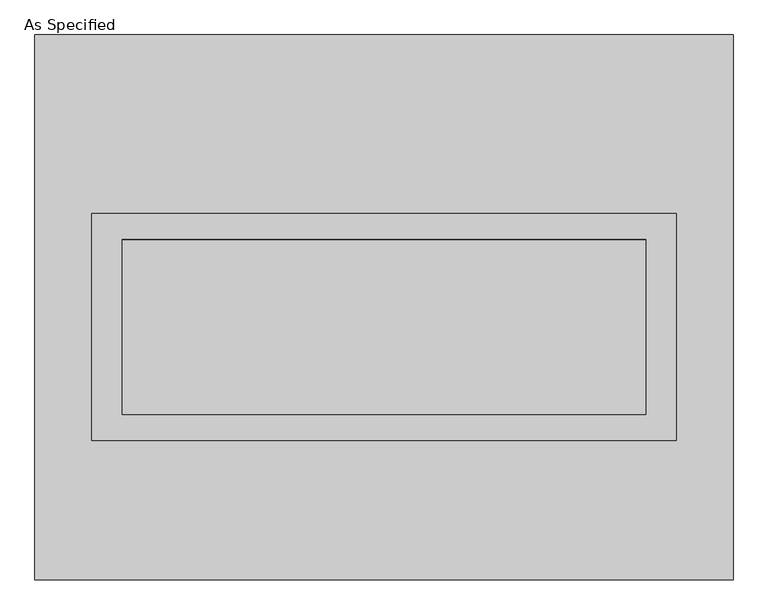
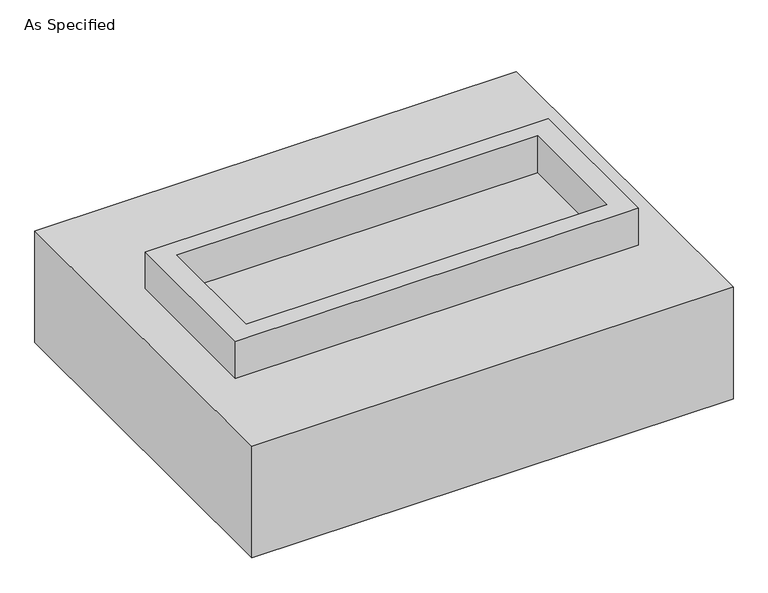
"""IFC4 building model written with IfcOpenShell, lengths in millimetres: proxy geometry, As Specified."""

import ifcopenshell
import ifcopenshell.guid

model = None  # the IFC model being written
_history = None  # IfcOwnerHistory: only IFC2X3 demands one
_inside = {}  # id of a spatial element -> (the spatial element, [elements in it])
_under = {}  # id of a project, library or spatial element -> (it, [spatial elements below it])
_declared = {}  # id of a project -> (the project, [libraries it declares])
_typed = {}  # id of a type object -> (the type object, [elements of that type])
_made_of = {}  # id of a material, layer set ... -> (it, [elements and type objects made of it])


def new_model(schema):
    """Start an empty IFC model of exactly this schema.

    Asked for "IFC4X3", IfcOpenShell would pick the latest addendum, in which some entities
    have other attributes; the version numbers below select the first issue.
    IFC2X3 requires an IfcOwnerHistory on every rooted entity: one is made here for all.
    """
    global model, _history
    if schema == "IFC4X3":
        model = ifcopenshell.file(schema_version=(4, 3, 0, 0))
    else:
        model = ifcopenshell.file(schema=schema)
    _inside.clear()
    _under.clear()
    _declared.clear()
    _typed.clear()
    _made_of.clear()
    _history = None
    if model.schema == "IFC2X3":
        org = make("IfcOrganization", Name="unknown")
        user = make(
            "IfcPersonAndOrganization",
            ThePerson=make("IfcPerson", FamilyName="unknown"),
            TheOrganization=org,
        )
        app = make(
            "IfcApplication",
            ApplicationDeveloper=org,
            Version="unknown",
            ApplicationFullName="unknown",
            ApplicationIdentifier="unknown",
        )
        _history = make(
            "IfcOwnerHistory",
            OwningUser=user,
            OwningApplication=app,
            ChangeAction="ADDED",
            CreationDate=0,
        )
    return model


def make(cls, **values):
    """One entity of the class cls with the attributes given. An attribute that is None is left unset."""
    return model.create_entity(
        cls, **{name: value for name, value in values.items() if value is not None}
    )


def rooted(cls, **values):
    """An entity with a GlobalId (a new one), such as an element, a storey or a relation."""
    return make(cls, GlobalId=ifcopenshell.guid.new(), OwnerHistory=_history, **values)


def si_unit(unit_type, name, prefix=None):
    """IfcSIUnit, for example si_unit("LENGTHUNIT", "METRE", prefix="MILLI")."""
    return make("IfcSIUnit", UnitType=unit_type, Prefix=prefix, Name=name)


def assignment(units):
    """IfcUnitAssignment: the units of a project."""
    return None if units is None else make("IfcUnitAssignment", Units=units)


def point(xyz):
    """IfcCartesianPoint."""
    return None if xyz is None else make("IfcCartesianPoint", Coordinates=xyz)


def direction(xyz):
    """IfcDirection."""
    return None if xyz is None else make("IfcDirection", DirectionRatios=xyz)


def frame(location, z_axis=None, x_axis=None):
    """IfcAxis2Placement3D, a coordinate frame: its origin and axes. An axis left out is left unset."""
    return make(
        "IfcAxis2Placement3D",
        Location=point(location),
        Axis=direction(z_axis),
        RefDirection=direction(x_axis),
    )


def origin():
    """The frame at (0, 0, 0) with its axes left unset."""
    return frame((0.0, 0.0, 0.0))


def place(relative_to, where):
    """IfcLocalPlacement: puts the frame where relative to a parent placement (None: the world)."""
    return make(
        "IfcLocalPlacement", PlacementRelTo=relative_to, RelativePlacement=where
    )


def context(
    kind, dimensions, precision=None, world=None, true_north=None, identifier=None
):
    """IfcGeometricRepresentationContext, for example the 3D "Model" context."""
    return make(
        "IfcGeometricRepresentationContext",
        ContextIdentifier=identifier,
        ContextType=kind,
        CoordinateSpaceDimension=dimensions,
        Precision=precision,
        WorldCoordinateSystem=world,
        TrueNorth=true_north,
    )


def project(units=None, contexts=None):
    """IfcProject with its units and contexts."""
    return rooted(
        "IfcProject",
        Name="project",
        RepresentationContexts=contexts,
        UnitsInContext=assignment(units),
    )


def spatial(cls, under=None, at=None, **own):
    """A site, building, storey or space (cls), placed at a placement, below another one or the project."""
    s = rooted(cls, ObjectPlacement=at, **own)
    if under is not None:
        _under.setdefault(under.id(), (under, []))[1].append(s)
    return s


def polyline(points):
    """IfcPolyline through the points."""
    return make("IfcPolyline", Points=[point(p) for p in points])


def outline(outer, holes=None, kind="AREA"):
    """IfcArbitraryClosedProfileDef: a profile drawn as a closed curve; with holes, ...WithVoids."""
    if holes is None:
        return make("IfcArbitraryClosedProfileDef", ProfileType=kind, OuterCurve=outer)
    return make(
        "IfcArbitraryProfileDefWithVoids",
        ProfileType=kind,
        OuterCurve=outer,
        InnerCurves=holes,
    )


def extrude(swept, where, along, depth):
    """IfcExtrudedAreaSolid: the profile swept, set in the frame where, extruded along a direction by depth."""
    return make(
        "IfcExtrudedAreaSolid",
        SweptArea=swept,
        Position=where,
        ExtrudedDirection=direction(along),
        Depth=depth,
    )


def faces_of(points, faces, orient=None, outer=None):
    """IfcFace entities. A face is a list of loops; a loop is a list of indices into points, from 0.

    orient and outer hold one flag for each loop. By default every Orientation is true, the
    first loop of a face is its IfcFaceOuterBound and the others are IfcFaceBound.
    """
    made = []
    for i, loops in enumerate(faces):
        bounds = []
        for j, loop in enumerate(loops):
            is_outer = j == 0 if outer is None else outer[i][j]
            bounds.append(
                make(
                    "IfcFaceOuterBound" if is_outer else "IfcFaceBound",
                    Bound=make("IfcPolyLoop", Polygon=[points[k] for k in loop]),
                    Orientation=True if orient is None else orient[i][j],
                )
            )
        made.append(make("IfcFace", Bounds=bounds))
    return made


def faceted_brep(points, faces, orient=None, outer=None, voids=None):
    """IfcFacetedBrep: a solid bounded by flat faces; with voids (closed shells), ...WithVoids."""
    shared = [point(p) for p in points]
    hull = make("IfcClosedShell", CfsFaces=faces_of(shared, faces, orient, outer))
    if voids is None:
        return make("IfcFacetedBrep", Outer=hull)
    return make(
        "IfcFacetedBrepWithVoids",
        Outer=hull,
        Voids=[
            make(cls, CfsFaces=faces_of(shared, fs, o, b)) for cls, fs, o, b in voids
        ],
    )


def shape(context_of_items, identifier, shape_type, items):
    """IfcShapeRepresentation: the items that make up one representation, for example the "Body"."""
    return make(
        "IfcShapeRepresentation",
        ContextOfItems=context_of_items,
        RepresentationIdentifier=identifier,
        RepresentationType=shape_type,
        Items=items,
    )


def source(mapping_origin, context_of_items, identifier, shape_type, items):
    """IfcRepresentationMap: a shape defined once, which mapped items show again and again."""
    return make(
        "IfcRepresentationMap",
        MappingOrigin=mapping_origin,
        MappedRepresentation=shape(context_of_items, identifier, shape_type, items),
    )


def transform(
    local_origin,
    x_axis=None,
    y_axis=None,
    z_axis=None,
    scale=None,
    scale2=None,
    scale3=None,
    uniform=True,
):
    """IfcCartesianTransformationOperator3D, or its non-uniform kind. x_axis, y_axis, z_axis: its Axis1, 2, 3."""
    if uniform:
        return make(
            "IfcCartesianTransformationOperator3D",
            Axis1=direction(x_axis),
            Axis2=direction(y_axis),
            LocalOrigin=point(local_origin),
            Scale=scale,
            Axis3=direction(z_axis),
        )
    return make(
        "IfcCartesianTransformationOperator3DnonUniform",
        Axis1=direction(x_axis),
        Axis2=direction(y_axis),
        LocalOrigin=point(local_origin),
        Scale=scale,
        Axis3=direction(z_axis),
        Scale2=scale2,
        Scale3=scale3,
    )


def mapped(mapping_source, mapping_target):
    """IfcMappedItem: shows the shape of a source again, moved by a transform."""
    return make(
        "IfcMappedItem", MappingSource=mapping_source, MappingTarget=mapping_target
    )


def made_of(thing, what):
    """Note that an element or type object is made of a material, layer set ...; save() writes the relation."""
    if what is not None:
        _made_of.setdefault(what.id(), (what, []))[1].append(thing)
    return thing


def element(
    cls,
    number,
    at=None,
    inside=None,
    cuts=None,
    type_object=None,
    material=None,
    context=None,
    identifier="Body",
    shape_type=None,
    held_by="IfcProductDefinitionShape",
    body=None,
    shapes=None,
    **own,
):
    """One element of the class cls, such as IfcWall. Its Tag is "e" and its number.

    at: its placement. inside: the storey or other place that contains it. cuts: it is an
    opening in that element (IfcRelVoidsElement). A single representation is given by context,
    identifier, shape_type and body (its items); several are given by shapes. held_by: the class
    of the entity that holds the representations. save() writes the other relations.
    """
    e = rooted(cls, Tag="e%d" % number, ObjectPlacement=at, **own)
    if body is not None:
        shapes = [shape(context, identifier, shape_type, body)]
    if shapes is not None:
        e.Representation = make(held_by, Representations=shapes)
    if inside is not None:
        _inside.setdefault(inside.id(), (inside, []))[1].append(e)
    if cuts is not None:
        rooted(
            "IfcRelVoidsElement", RelatingBuildingElement=cuts, RelatedOpeningElement=e
        )
    if type_object is not None:
        _typed.setdefault(type_object.id(), (type_object, []))[1].append(e)
    return made_of(e, material)


def aggregate(whole, parts):
    """IfcRelAggregates: a whole, such as a stair, and the parts it consists of."""
    return rooted("IfcRelAggregates", RelatingObject=whole, RelatedObjects=parts)


def save(model, path):
    """Write the relations noted so far, then the file.

    IfcRelAggregates (storeys below a building ...), IfcRelContainedInSpatialStructure (elements
    in a storey), IfcRelDefinesByType, IfcRelAssociatesMaterial and IfcRelDeclares: one each for
    every whole, place, type object, material and project.
    """
    for whole, parts in _under.values():
        aggregate(whole, parts)
    for where, things in _inside.values():
        rooted(
            "IfcRelContainedInSpatialStructure",
            RelatedElements=things,
            RelatingStructure=where,
        )
    for kind, things in _typed.values():
        rooted("IfcRelDefinesByType", RelatedObjects=things, RelatingType=kind)
    for what, things in _made_of.values():
        rooted("IfcRelAssociatesMaterial", RelatedObjects=things, RelatingMaterial=what)
    for by, libraries in _declared.values():
        rooted("IfcRelDeclares", RelatingContext=by, RelatedDefinitions=libraries)
    model.write(path)


def as_specified_b72967be(model_context):
    return source(origin(), model_context, "Body", "SolidModel", [
        extrude(outline(polyline([(850.9, 273.05), (850.9, -387.35), (-850.9, -387.35), (-850.9, 273.05), (850.9, 273.05)]), holes=[polyline([(762.0, 196.85), (-762.0, 196.85), (-762.0, -311.15), (762.0, -311.15), (762.0, 196.85)])]), frame((0.0, 0.0, -25.4), z_axis=(0.0, 0.0, 1.0), x_axis=(1.0, 0.0, 0.0)), (0.0, 0.0, 1.0), 165.1),
        extrude(outline(polyline([(762.0, 196.85), (762.0, -311.15), (-762.0, -311.15), (-762.0, 196.85), (762.0, 196.85)])), frame((0.0, 0.0, -30.3609375), z_axis=(0.0, 0.0, 1.0), x_axis=(1.0, 0.0, 0.0)), (0.0, 0.0, 1.0), 4.9609375),
        faceted_brep([(1016.0, -793.75, -523.875), (-1016.0, -793.75, -523.875), (-1016.0, 793.75, -523.875), (1016.0, 793.75, -523.875), (1016.0, 793.75, -25.4), (-1016.0, 793.75, -25.4), (-1016.0, -793.75, -25.4), (1016.0, -793.75, -25.4), (850.9, 273.05, -25.4), (850.9, -387.35, -25.4), (-850.9, -387.35, -25.4), (-850.9, 273.05, -25.4), (850.9, 273.05, -498.475), (-850.9, 273.05, -498.475), (-850.9, -387.35, -498.475), (850.9, -387.35, -498.475)], [[[0, 1, 2, 3]], [[4, 5, 6, 7], [8, 9, 10, 11]], [[3, 2, 5, 4]], [[2, 1, 6, 5]], [[0, 3, 4, 7]], [[12, 13, 14, 15]], [[14, 13, 11, 10]], [[13, 12, 8, 11]], [[12, 15, 9, 8]], [[10, 9, 15, 14]], [[1, 0, 7, 6]]]),
    ])


if __name__ == "__main__":
    model = new_model("IFC4")
    model_context = context("Model", 3, world=origin())
    ifc_project = project(units=[si_unit("LENGTHUNIT", "METRE", prefix="MILLI")], contexts=[model_context])
    site = spatial("IfcSite", under=ifc_project)
    building = spatial("IfcBuilding", under=site)
    placement = place(None, origin())
    as_specified_shape = as_specified_b72967be(model_context)
    element("IfcBuildingElementProxy", 1, Name="As Specified", ObjectType="As Specified", at=placement, inside=building, context=model_context, shape_type="MappedRepresentation", body=[
        mapped(as_specified_shape, transform((0.0, 0.0, 0.0), x_axis=(1.0, 0.0, 0.0), y_axis=(0.0, 1.0, 0.0), z_axis=(0.0, 0.0, 1.0))),
    ])
    save(model, "model.ifc")
